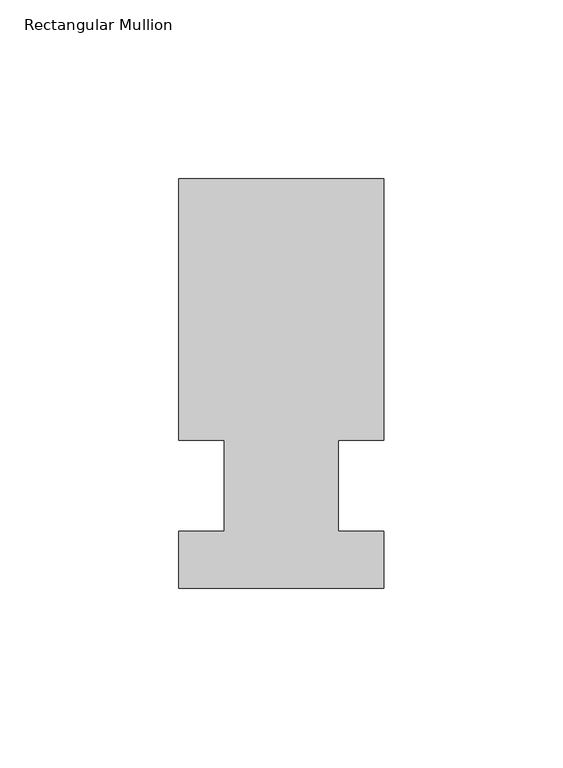
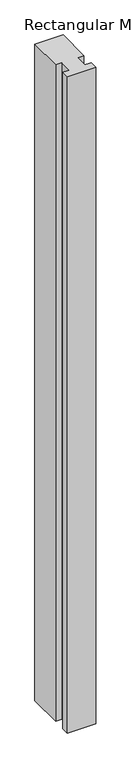
"""IFC4 building model written with IfcOpenShell, lengths in millimetres: member geometry, Rectangular Mullion."""

from ifc_helpers import new_model, si_unit, frame, origin, place, context, project, spatial, polyline, outline, extrude, source, transform, mapped, element, save


def rectangular_mullion_68208786(model_context):
    return source(origin(), model_context, "Body", "SweptSolid", [
        extrude(outline(polyline([(32.9094027, 85.725), (32.9094027, 12.7), (20.2076322, 12.7), (20.2076322, -12.7), (32.9094027, -12.7), (32.9094027, -28.575), (-24.2405973, -28.575), (-24.2405973, -12.7), (-11.5405973, -12.7), (-11.5405973, 12.7), (-24.2405973, 12.7), (-24.2405973, 85.725), (32.9094027, 85.725)])), frame((0.0, 0.0, -1407.482264), z_axis=(0.0, 0.0, 1.0), x_axis=(1.0, 0.0, 0.0)), (0.0, 0.0, 1.0), 1407.482264),
    ])


if __name__ == "__main__":
    model = new_model("IFC4")
    model_context = context("Model", 3, world=origin())
    ifc_project = project(units=[si_unit("LENGTHUNIT", "METRE", prefix="MILLI")], contexts=[model_context])
    site = spatial("IfcSite", under=ifc_project)
    building = spatial("IfcBuilding", under=site)
    placement = place(None, origin())
    rectangular_mullion_shape = rectangular_mullion_68208786(model_context)
    element("IfcMember", 1, ObjectType="Rectangular Mullion", at=placement, inside=building, context=model_context, shape_type="MappedRepresentation", body=[
        mapped(rectangular_mullion_shape, transform((0.0, 0.0, 0.0), x_axis=(1.0, 0.0, 0.0), y_axis=(0.0, 1.0, 0.0), z_axis=(0.0, 0.0, 1.0))),
    ])
    save(model, "model.ifc")
